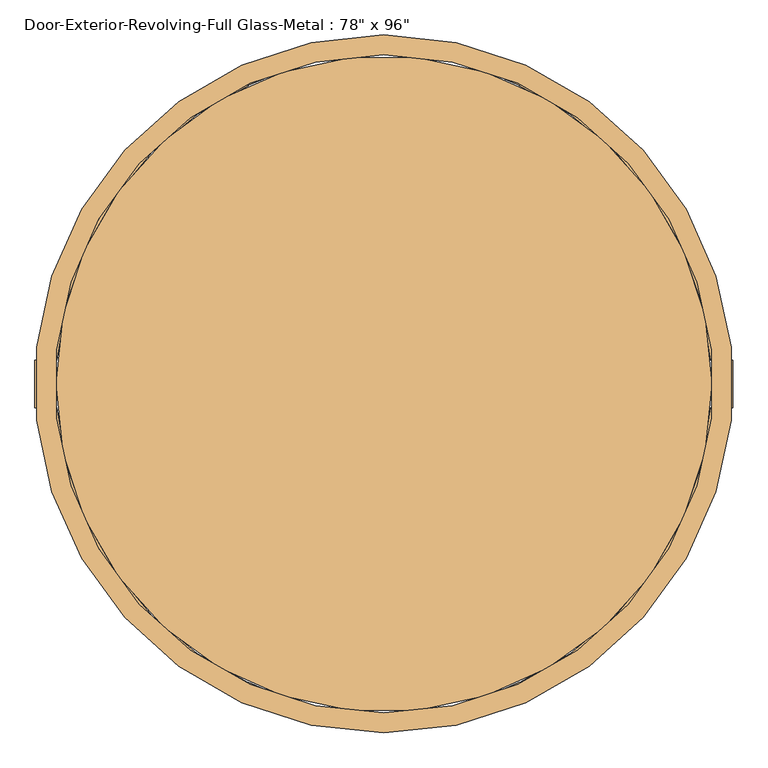
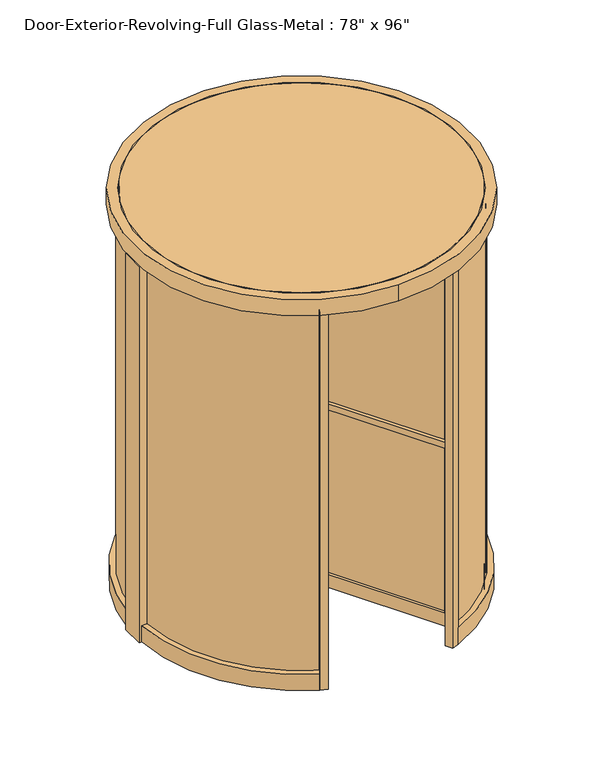
"""IFC4 building model written with IfcOpenShell, lengths in millimetres: door geometry."""

from ifc_helpers import new_model, si_unit, point, frame, frame_2d, origin, origin_with_axes, origin_2d, place, context, project, spatial, polyline, circle_curve, trimmed, segment, composite_curve, outline, extrude, source, transform, mapped, element, save
from ifc_brep_helpers import plane_surface, revolved_surface, advanced_brep


def door_43fbdff2(model_context):
    return source(origin(), model_context, "Body", "SolidModel", [
        advanced_brep(
        [(443.8772161, -806.9178905, 25.4), (443.8772161, -806.9178905, 2320.925), (26.9196881, -84.7262674, 2320.925), (26.9196881, -84.7262674, 25.4), (29.5397161, -89.2642891, 2254.25), (410.5397161, -749.1756467, 2254.25), (410.5397161, -749.1756467, 106.3625), (29.5397161, -89.2642891, 106.3625), (476.8727839, -787.8678905, 2320.925), (476.8727839, -787.8678905, 25.4), (59.9152559, -65.6762674, 25.4), (59.9152559, -65.6762674, 2320.925), (62.5352839, -70.2142891, 2254.25), (62.5352839, -70.2142891, 106.3625), (443.5352839, -730.1256467, 106.3625), (443.5352839, -730.1256467, 2254.25), (44.45, -76.9896584, 2320.925), (44.45, -76.9896584, 25.4)],
        [
            (0, 1),
            (1, 2),
            (2, 3),
            (3, 0),
            (4, 5),
            (5, 6),
            (6, 7),
            (7, 4),
            (8, 9),
            (9, 10),
            (10, 11),
            (11, 8),
            (12, 13),
            (13, 14),
            (14, 15),
            (15, 12),
            (1, 8),
            (11, 16, circle_curve(frame((0.0, 0.0, 2320.925), z_axis=(0.0, 0.0, -1.0), x_axis=(0.4999999999999996, -0.8660254037844389, 0.0)), 88.9)),
            (16, 2, circle_curve(frame((0.0, 0.0, 2320.925), z_axis=(0.0, 0.0, -1.0), x_axis=(0.4999999999999996, -0.8660254037844389, 0.0)), 88.9)),
            (0, 9),
            (3, 17, circle_curve(frame((0.0, 0.0, 25.4), z_axis=(0.0, 0.0, 1.0), x_axis=(0.4999999999999996, -0.8660254037844389, 0.0)), 88.9)),
            (17, 10, circle_curve(frame((0.0, 0.0, 25.4), z_axis=(0.0, 0.0, 1.0), x_axis=(0.4999999999999996, -0.8660254037844389, 0.0)), 88.9)),
            (7, 13),
            (12, 4),
            (6, 14),
            (5, 15),
            (16, 17),
        ],
        [
            plane_surface(frame((-3.7977839, -31.5220453, 2320.925), z_axis=(-0.8660254037844389, -0.4999999999999996, 0.0), x_axis=(0.0, 0.0, -1.0))),
            plane_surface(frame((29.1977839, -12.4720453, 2320.925), z_axis=(0.8660254037844389, 0.4999999999999996, 0.0), x_axis=(0.0, 0.0, 1.0))),
            plane_surface(frame((443.8772161, -806.9178905, 2320.925), z_axis=(0.0, 0.0, 1.0), x_axis=(0.8660254037844384, 0.5000000000000004, 0.0))),
            plane_surface(frame((443.8772161, -806.9178905, 25.4), z_axis=(0.5000000000000004, -0.8660254037844384, 0.0), x_axis=(0.8660254037844384, 0.5000000000000004, 0.0))),
            plane_surface(frame((-3.7977839, -31.5220453, 25.4), z_axis=(0.0, 0.0, -1.0), x_axis=(0.8660254037844389, 0.49999999999999956, 0.0))),
            plane_surface(frame((29.5397161, -89.2642891, 106.3625), z_axis=(0.4999999999999998, -0.8660254037844388, 0.0), x_axis=(0.8660254037844388, 0.4999999999999998, 0.0))),
            plane_surface(frame((410.5397161, -749.1756467, 106.3625), z_axis=(0.0, 0.0, 1.0), x_axis=(0.8660254037844404, 0.49999999999999706, 0.0))),
            plane_surface(frame((410.5397161, -749.1756467, 2254.25), z_axis=(-0.49999999999999706, 0.8660254037844404, 0.0), x_axis=(0.8660254037844404, 0.49999999999999706, 0.0))),
            plane_surface(frame((29.5397161, -89.2642891, 2254.25), z_axis=(0.0, 0.0, -1.0), x_axis=(0.8660254037844389, 0.49999999999999967, 0.0))),
            revolved_surface(polyline([(44.44999999999997, -76.98965839643662, 2320.925), (44.44999999999997, -76.98965839643662, 25.399999999999977)]), (0.0, 0.0, -344.4385455), (0.0, 0.0, 1.0)),
        ],
        [
            (0, [[1, 2, 3, 4], [5, 6, 7, 8]]),
            (1, [[9, 10, 11, 12], [13, 14, 15, 16]]),
            (2, [[17, -12, 18, 19, -2]]),
            (3, [[-1, 20, -9, -17]]),
            (4, [[-20, -4, 21, 22, -10]]),
            (5, [[-8, 23, -13, 24]]),
            (6, [[-7, 25, -14, -23]]),
            (7, [[-6, 26, -15, -25]]),
            (8, [[-5, -24, -16, -26]]),
            (9, [[27, -21, -3, -19]]),
            (9, [[-27, -18, -11, -22]]),
        ],
    ),
        advanced_brep(
        [(-920.75, -19.05, 2320.925), (-920.75, -19.05, 25.4), (-86.834944, -19.05, 25.4), (-86.834944, -19.05, 2320.925), (-92.075, -19.05, 2254.25), (-92.075, -19.05, 106.3625), (-854.075, -19.05, 106.3625), (-854.075, -19.05, 2254.25), (-920.75, 19.05, 25.4), (-920.75, 19.05, 2320.925), (-86.834944, 19.05, 2320.925), (-86.834944, 19.05, 25.4), (-92.075, 19.05, 2254.25), (-854.075, 19.05, 2254.25), (-854.075, 19.05, 106.3625), (-92.075, 19.05, 106.3625)],
        [
            (0, 1),
            (1, 2),
            (2, 3),
            (3, 0),
            (4, 5),
            (5, 6),
            (6, 7),
            (7, 4),
            (8, 9),
            (9, 10),
            (10, 11),
            (11, 8),
            (12, 13),
            (13, 14),
            (14, 15),
            (15, 12),
            (9, 0),
            (3, 10, circle_curve(frame((0.0, 0.0, 2320.925), z_axis=(0.0, 0.0, -1.0), x_axis=(0.4999999999999996, -0.8660254037844389, 0.0)), 88.9)),
            (8, 1),
            (11, 2, circle_curve(frame((0.0, 0.0, 25.4), z_axis=(0.0, 0.0, 1.0), x_axis=(0.4999999999999996, -0.8660254037844389, 0.0)), 88.9)),
            (4, 12),
            (15, 5),
            (14, 6),
            (13, 7),
        ],
        [
            plane_surface(frame((-920.75, -19.05, 2320.925), z_axis=(0.0, -1.0, 0.0), x_axis=(-1.0, 0.0, 0.0))),
            plane_surface(frame((-920.75, 19.05, 2320.925), z_axis=(0.0, 1.0, 0.0), x_axis=(1.0, 0.0, 0.0))),
            plane_surface(frame((-25.4, -19.05, 2320.925), z_axis=(0.0, 0.0, 1.0), x_axis=(0.0, 1.0, 0.0))),
            plane_surface(frame((-920.75, -19.05, 2320.925), z_axis=(-1.0, 0.0, 0.0), x_axis=(0.0, 1.0, 0.0))),
            plane_surface(frame((-920.75, -19.05, 25.4), z_axis=(0.0, 0.0, -1.0), x_axis=(0.0, 1.0, 0.0))),
            plane_surface(frame((-92.075, -19.05, 2254.25), z_axis=(-1.0, 0.0, 0.0), x_axis=(0.0, 1.0, 0.0))),
            plane_surface(frame((-92.075, -19.05, 106.3625), z_axis=(0.0, 0.0, 1.0), x_axis=(0.0, 1.0, 0.0))),
            plane_surface(frame((-854.075, -19.05, 106.3625), z_axis=(1.0, 0.0, 0.0), x_axis=(0.0, 1.0, 0.0))),
            plane_surface(frame((-854.075, -19.05, 2254.25), z_axis=(0.0, 0.0, -1.0), x_axis=(0.0, 1.0, 0.0))),
            revolved_surface(polyline([(44.44999999999997, -76.98965839643662, 2320.925), (44.44999999999997, -76.98965839643662, 25.399999999999977)]), (0.0, 0.0, -344.4385455), (0.0, 0.0, 1.0)),
        ],
        [
            (0, [[1, 2, 3, 4], [5, 6, 7, 8]]),
            (1, [[9, 10, 11, 12], [13, 14, 15, 16]]),
            (2, [[17, -4, 18, -10]]),
            (3, [[-1, -17, -9, 19]]),
            (4, [[-19, -12, 20, -2]]),
            (5, [[-5, 21, -16, 22]]),
            (6, [[-6, -22, -15, 23]]),
            (7, [[-7, -23, -14, 24]]),
            (8, [[-8, -24, -13, -21]]),
            (9, [[-3, -20, -11, -18]]),
        ],
    ),
        advanced_brep(
        [(476.8727839, 787.8678905, 25.4), (476.8727839, 787.8678905, 2320.925), (59.9152559, 65.6762674, 2320.925), (59.9152559, 65.6762674, 25.4), (62.5352839, 70.2142891, 2254.25), (443.5352839, 730.1256467, 2254.25), (443.5352839, 730.1256467, 106.3625), (62.5352839, 70.2142891, 106.3625), (443.8772161, 806.9178905, 2320.925), (443.8772161, 806.9178905, 25.4), (26.9196881, 84.7262674, 25.4), (26.9196881, 84.7262674, 2320.925), (29.5397161, 89.2642891, 2254.25), (29.5397161, 89.2642891, 106.3625), (410.5397161, 749.1756467, 106.3625), (410.5397161, 749.1756467, 2254.25)],
        [
            (0, 1),
            (1, 2),
            (2, 3),
            (3, 0),
            (4, 5),
            (5, 6),
            (6, 7),
            (7, 4),
            (8, 9),
            (9, 10),
            (10, 11),
            (11, 8),
            (12, 13),
            (13, 14),
            (14, 15),
            (15, 12),
            (1, 8),
            (11, 2, circle_curve(frame((0.0, 0.0, 2320.925), z_axis=(0.0, 0.0, -1.0), x_axis=(0.4999999999999996, -0.8660254037844389, 0.0)), 88.9)),
            (0, 9),
            (3, 10, circle_curve(frame((0.0, 0.0, 25.4), z_axis=(0.0, 0.0, 1.0), x_axis=(0.4999999999999996, -0.8660254037844389, 0.0)), 88.9)),
            (7, 13),
            (12, 4),
            (6, 14),
            (5, 15),
        ],
        [
            plane_surface(frame((29.1977839, 12.4720453, 2320.925), z_axis=(0.866025403784439, -0.4999999999999995, 0.0), x_axis=(0.0, 0.0, -1.0))),
            plane_surface(frame((-3.7977839, 31.5220453, 2320.925), z_axis=(-0.866025403784439, 0.4999999999999995, 0.0), x_axis=(0.0, 0.0, 1.0))),
            plane_surface(frame((476.8727839, 787.8678905, 2320.925), z_axis=(0.0, 0.0, 1.0), x_axis=(-0.8660254037844384, 0.5000000000000004, 0.0))),
            plane_surface(frame((476.8727839, 787.8678905, 25.4), z_axis=(0.5000000000000004, 0.8660254037844384, 0.0), x_axis=(-0.8660254037844384, 0.5000000000000004, 0.0))),
            plane_surface(frame((29.1977839, 12.4720453, 25.4), z_axis=(0.0, 0.0, -1.0), x_axis=(-0.866025403784439, 0.49999999999999944, 0.0))),
            plane_surface(frame((62.5352839, 70.2142891, 106.3625), z_axis=(0.49999999999999956, 0.8660254037844389, 0.0), x_axis=(-0.8660254037844389, 0.49999999999999956, 0.0))),
            plane_surface(frame((443.5352839, 730.1256467, 106.3625), z_axis=(0.0, 0.0, 1.0), x_axis=(-0.8660254037844384, 0.5000000000000004, 0.0))),
            plane_surface(frame((443.5352839, 730.1256467, 2254.25), z_axis=(-0.5000000000000004, -0.8660254037844384, 0.0), x_axis=(-0.8660254037844384, 0.5000000000000004, 0.0))),
            plane_surface(frame((62.5352839, 70.2142891, 2254.25), z_axis=(0.0, 0.0, -1.0), x_axis=(-0.866025403784439, 0.49999999999999944, 0.0))),
            revolved_surface(polyline([(44.44999999999997, -76.98965839643662, 2320.925), (44.44999999999997, -76.98965839643662, 25.399999999999977)]), (0.0, 0.0, -344.4385455), (0.0, 0.0, 1.0)),
        ],
        [
            (0, [[1, 2, 3, 4], [5, 6, 7, 8]]),
            (1, [[9, 10, 11, 12], [13, 14, 15, 16]]),
            (2, [[17, -12, 18, -2]]),
            (3, [[-1, 19, -9, -17]]),
            (4, [[-19, -4, 20, -10]]),
            (5, [[-8, 21, -13, 22]]),
            (6, [[-7, 23, -14, -21]]),
            (7, [[-6, 24, -15, -23]]),
            (8, [[-5, -22, -16, -24]]),
            (9, [[-3, -18, -11, -20]]),
        ],
    ),
        extrude(outline(composite_curve([segment(polyline([(-387.1921907, 852.8473475), (-409.5275667, 895.485273)]), True, "CONTINUOUS"), segment(trimmed(circle_curve(origin_2d(), 984.6860931), [point((-409.5275667, 895.485273))], [point((-367.0078601, 913.7351545))], False, "CARTESIAN"), True, "CONTINUOUS"), segment(polyline([(-367.0078601, 913.7351545), (-344.6795251, 870.8974771)]), True, "CONTINUOUS"), segment(trimmed(circle_curve(origin_2d(), 936.625), [point((-344.6795251, 870.8974771))], [point((-387.1921907, 852.8473475))], True, "CARTESIAN"), True, "CONTINUOUS")], self_intersect=False)), origin_with_axes(), (0.0, 0.0, 1.0), 2346.325),
        extrude(outline(composite_curve([segment(polyline([(409.6334006, 895.6873084), (387.1921907, 852.8473475)]), True, "CONTINUOUS"), segment(trimmed(circle_curve(origin_2d(), 936.625), [point((387.1921907, 852.8473475))], [point((344.6795251, 870.8974771))], True, "CARTESIAN"), True, "CONTINUOUS"), segment(polyline([(344.6795251, 870.8974771), (367.1136707, 913.9380888)]), True, "CONTINUOUS"), segment(trimmed(circle_curve(origin_2d(), 984.9138426), [point((367.1136707, 913.9380888))], [point((409.6334006, 895.6873084))], False, "CARTESIAN"), True, "CONTINUOUS")], self_intersect=False)), origin_with_axes(), (0.0, 0.0, 1.0), 2346.325),
        extrude(outline(composite_curve([segment(trimmed(circle_curve(origin_2d(), 936.625), [point((-387.1921907, -852.8473475))], [point((-344.6795251, -870.8974771))], True, "CARTESIAN"), True, "CONTINUOUS"), segment(polyline([(-344.6795251, -870.8974771), (-367.0078601, -909.3369039)]), True, "CONTINUOUS"), segment(trimmed(circle_curve(frame_2d((0.0, 289.4362299)), 1253.6952564), [point((-367.0078601, -909.3369039))], [point((-409.5275667, -895.485273))], False, "CARTESIAN"), True, "CONTINUOUS"), segment(polyline([(-409.5275667, -895.485273), (-387.1921907, -852.8473475)]), True, "CONTINUOUS")], self_intersect=False)), origin_with_axes(), (0.0, 0.0, 1.0), 2346.325),
        extrude(outline(composite_curve([segment(trimmed(circle_curve(frame_2d((0.0, 289.4364252)), 1253.695441), [point((409.5275667, -895.485273))], [point((367.0078689, -909.336899))], False, "CARTESIAN"), True, "CONTINUOUS"), segment(polyline([(367.0078689, -909.336899), (344.6795251, -870.8974771)]), True, "CONTINUOUS"), segment(trimmed(circle_curve(origin_2d(), 936.625), [point((344.6795251, -870.8974771))], [point((387.1921907, -852.8473475))], True, "CARTESIAN"), True, "CONTINUOUS"), segment(polyline([(387.1921907, -852.8473475), (409.5275667, -895.485273)]), True, "CONTINUOUS")], self_intersect=False)), origin_with_axes(), (0.0, 0.0, 1.0), 2346.325),
        extrude(outline(composite_curve([segment(polyline([(-942.1498205, 67.46875), (-948.5102344, 67.46875)]), True, "CONTINUOUS"), segment(trimmed(circle_curve(origin_2d(), 950.9067762), [point((-948.5102344, 67.46875))], [point((-394.3714922, 865.2715314))], False, "CARTESIAN"), True, "CONTINUOUS"), segment(polyline([(-394.3714922, 865.2715314), (-391.1807004, 859.7534391)]), True, "CONTINUOUS"), segment(trimmed(circle_curve(origin_2d(), 944.5625), [point((-391.1807004, 859.7534391))], [point((-942.1498205, 67.46875))], True, "CARTESIAN"), True, "CONTINUOUS")], self_intersect=False)), frame((0.0, 0.0, 101.6), z_axis=(0.0, 0.0, 1.0), x_axis=(1.0, 0.0, 0.0)), (0.0, 0.0, 1.0), 2244.725),
        extrude(outline(composite_curve([segment(trimmed(circle_curve(origin_2d(), 944.5625), [point((942.1498205, 67.46875))], [point((391.1807004, 859.7534391))], True, "CARTESIAN"), True, "CONTINUOUS"), segment(polyline([(391.1807004, 859.7534391), (394.3714922, 865.2715314)]), True, "CONTINUOUS"), segment(trimmed(circle_curve(origin_2d(), 950.9067762), [point((394.3714922, 865.2715314))], [point((948.5102344, 67.46875))], False, "CARTESIAN"), True, "CONTINUOUS"), segment(polyline([(948.5102344, 67.46875), (942.1498205, 67.46875)]), True, "CONTINUOUS")], self_intersect=False)), frame((0.0, 0.0, 101.6), z_axis=(0.0, 0.0, 1.0), x_axis=(1.0, 0.0, 0.0)), (0.0, 0.0, 1.0), 2244.725),
        extrude(outline(composite_curve([segment(trimmed(circle_curve(origin_2d(), 944.5625), [point((-942.1498205, -67.46875))], [point((-391.1807004, -859.7534391))], True, "CARTESIAN"), True, "CONTINUOUS"), segment(polyline([(-391.1807004, -859.7534391), (-394.3714922, -865.2715314)]), True, "CONTINUOUS"), segment(trimmed(circle_curve(origin_2d(), 950.9067762), [point((-394.3714922, -865.2715314))], [point((-948.5102344, -67.46875))], False, "CARTESIAN"), True, "CONTINUOUS"), segment(polyline([(-948.5102344, -67.46875), (-942.1498205, -67.46875)]), True, "CONTINUOUS")], self_intersect=False)), frame((0.0, 0.0, 101.6), z_axis=(0.0, 0.0, 1.0), x_axis=(1.0, 0.0, 0.0)), (0.0, 0.0, 1.0), 2244.725),
        extrude(outline(composite_curve([segment(polyline([(942.1498205, -67.46875), (948.5102344, -67.46875)]), True, "CONTINUOUS"), segment(trimmed(circle_curve(origin_2d(), 950.9067762), [point((948.5102344, -67.46875))], [point((394.3714922, -865.2715314))], False, "CARTESIAN"), True, "CONTINUOUS"), segment(polyline([(394.3714922, -865.2715314), (391.1807004, -859.7534391)]), True, "CONTINUOUS"), segment(trimmed(circle_curve(origin_2d(), 944.5625), [point((391.1807004, -859.7534391))], [point((942.1498205, -67.46875))], True, "CARTESIAN"), True, "CONTINUOUS")], self_intersect=False)), frame((0.0, 0.0, 101.6), z_axis=(0.0, 0.0, 1.0), x_axis=(1.0, 0.0, 0.0)), (0.0, 0.0, 1.0), 2244.725),
        extrude(outline(composite_curve([segment(trimmed(circle_curve(origin_2d(), 996.95), [point((0.0, -996.95))], [point((0.0, 996.95))], False, "CARTESIAN"), True, "CONTINUOUS"), segment(trimmed(circle_curve(origin_2d(), 996.95), [point((0.0, 996.95))], [point((0.0, -996.95))], False, "CARTESIAN"), True, "CONTINUOUS")], self_intersect=False), holes=[composite_curve([segment(trimmed(circle_curve(origin_2d(), 939.8), [point((0.0, 939.8))], [point((0.0, -939.8))], True, "CARTESIAN"), True, "CONTINUOUS"), segment(trimmed(circle_curve(origin_2d(), 939.8), [point((0.0, -939.8))], [point((0.0, 939.8))], True, "CARTESIAN"), True, "CONTINUOUS")], self_intersect=False)]), frame((0.0, 0.0, 2346.325), z_axis=(0.0, 0.0, 1.0), x_axis=(1.0, 0.0, 0.0)), (0.0, 0.0, 1.0), 101.6),
        extrude(outline(composite_curve([segment(trimmed(circle_curve(origin_2d(), 936.625), [point((-936.625, 0.0))], [point((936.625, 0.0))], False, "CARTESIAN"), True, "CONTINUOUS"), segment(trimmed(circle_curve(origin_2d(), 936.625), [point((936.625, 0.0))], [point((-936.625, 0.0))], False, "CARTESIAN"), True, "CONTINUOUS")], self_intersect=False)), frame((0.0, 0.0, 2346.325), z_axis=(0.0, 0.0, 1.0), x_axis=(1.0, 0.0, 0.0)), (0.0, 0.0, 1.0), 101.6),
        extrude(outline(composite_curve([segment(trimmed(circle_curve(origin_2d(), 88.9), [point((-88.9, 0.0))], [point((88.9, 0.0))], False, "CARTESIAN"), True, "CONTINUOUS"), segment(trimmed(circle_curve(origin_2d(), 88.9), [point((88.9, 0.0))], [point((-88.9, 0.0))], False, "CARTESIAN"), True, "CONTINUOUS")], self_intersect=False)), origin_with_axes(), (0.0, 0.0, 1.0), 2346.325),
        extrude(outline(composite_curve([segment(polyline([(-387.1921907, -852.8473475), (-409.5275667, -895.485273)]), True, "CONTINUOUS"), segment(trimmed(circle_curve(origin_2d(), 984.6860931), [point((-409.5275667, -895.485273))], [point((-982.371961, -67.46875))], False, "CARTESIAN"), True, "CONTINUOUS"), segment(polyline([(-982.371961, -67.46875), (-934.191821, -67.46875)]), True, "CONTINUOUS"), segment(trimmed(circle_curve(origin_2d(), 936.625), [point((-934.191821, -67.46875))], [point((-387.1921907, -852.8473475))], True, "CARTESIAN"), True, "CONTINUOUS")], self_intersect=False)), origin_with_axes(), (0.0, 0.0, 1.0), 101.6),
        extrude(outline(composite_curve([segment(polyline([(409.5275667, -895.485273), (387.1921907, -852.8473475)]), True, "CONTINUOUS"), segment(trimmed(circle_curve(origin_2d(), 936.625), [point((387.1921907, -852.8473475))], [point((934.191821, -67.46875))], True, "CARTESIAN"), True, "CONTINUOUS"), segment(polyline([(934.191821, -67.46875), (982.371961, -67.46875)]), True, "CONTINUOUS"), segment(trimmed(circle_curve(origin_2d(), 984.6860931), [point((982.371961, -67.46875))], [point((409.5275667, -895.485273))], False, "CARTESIAN"), True, "CONTINUOUS")], self_intersect=False)), origin_with_axes(), (0.0, 0.0, 1.0), 101.6),
        extrude(outline(composite_curve([segment(polyline([(982.371961, 67.46875), (934.191821, 67.46875)]), True, "CONTINUOUS"), segment(trimmed(circle_curve(origin_2d(), 936.625), [point((934.191821, 67.46875))], [point((387.1921907, 852.8473475))], True, "CARTESIAN"), True, "CONTINUOUS"), segment(polyline([(387.1921907, 852.8473475), (409.5275667, 895.485273)]), True, "CONTINUOUS"), segment(trimmed(circle_curve(origin_2d(), 984.6860931), [point((409.5275667, 895.485273))], [point((982.371961, 67.46875))], False, "CARTESIAN"), True, "CONTINUOUS")], self_intersect=False)), origin_with_axes(), (0.0, 0.0, 1.0), 101.6),
        extrude(outline(composite_curve([segment(polyline([(-409.5275667, 895.485273), (-387.1921907, 852.8473475)]), True, "CONTINUOUS"), segment(trimmed(circle_curve(origin_2d(), 936.625), [point((-387.1921907, 852.8473475))], [point((-934.191821, 67.46875))], True, "CARTESIAN"), True, "CONTINUOUS"), segment(polyline([(-934.191821, 67.46875), (-982.371961, 67.46875)]), True, "CONTINUOUS"), segment(trimmed(circle_curve(origin_2d(), 984.6860931), [point((-982.371961, 67.46875))], [point((-409.5275667, 895.485273))], False, "CARTESIAN"), True, "CONTINUOUS")], self_intersect=False)), origin_with_axes(), (0.0, 0.0, 1.0), 101.6),
        extrude(outline(polyline([(-939.8, 67.46875), (-939.8, -67.46875), (-996.95, -67.46875), (-996.95, 67.46875), (-939.8, 67.46875)])), origin_with_axes(), (0.0, 0.0, 1.0), 2346.325),
        extrude(outline(polyline([(996.95, 67.46875), (996.95, -67.46875), (939.8, -67.46875), (939.8, 67.46875), (996.95, 67.46875)])), origin_with_axes(), (0.0, 0.0, 1.0), 2346.325),
        extrude(outline(polyline([(424.2878693, -741.2381467), (43.2878693, -81.3267891), (48.7871307, -78.1517891), (429.7871307, -738.0631467), (424.2878693, -741.2381467)])), frame((0.0, 0.0, 106.3625), z_axis=(0.0, 0.0, 1.0), x_axis=(1.0, 0.0, 0.0)), (0.0, 0.0, 1.0), 2147.8875),
        extrude(outline(polyline([(429.7871307, 738.0631467), (48.7871307, 78.1517891), (43.2878693, 81.3267891), (424.2878693, 741.2381467), (429.7871307, 738.0631467)])), frame((0.0, 0.0, 106.3625), z_axis=(0.0, 0.0, 1.0), x_axis=(1.0, 0.0, 0.0)), (0.0, 0.0, 1.0), 2147.8875),
        extrude(outline(polyline([(-92.075, -3.175), (-854.075, -3.175), (-854.075, 3.175), (-92.075, 3.175), (-92.075, -3.175)])), frame((0.0, 0.0, 106.3625), z_axis=(0.0, 0.0, 1.0), x_axis=(1.0, 0.0, 0.0)), (0.0, 0.0, 1.0), 2147.8875),
        extrude(outline(composite_curve([segment(polyline([(-920.75, 19.05), (-920.75, 38.1), (-80.3218526, 38.1)]), True, "CONTINUOUS"), segment(trimmed(circle_curve(origin_2d(), 88.9), [point((-80.3218526, 38.1))], [point((-86.834944, 19.05))], True, "CARTESIAN"), True, "CONTINUOUS"), segment(polyline([(-86.834944, 19.05), (-920.75, 19.05)]), True, "CONTINUOUS")], self_intersect=False)), frame((0.0, 0.0, 1149.35), z_axis=(0.0, 0.0, 1.0), x_axis=(1.0, 0.0, 0.0)), (0.0, 0.0, 1.0), 38.1),
        extrude(outline(composite_curve([segment(polyline([(443.8772161, -806.9178905), (427.3794321, -816.4428905), (7.1653584, -88.6107648)]), True, "CONTINUOUS"), segment(trimmed(circle_curve(origin_2d(), 88.9), [point((7.1653584, -88.6107648))], [point((26.9196881, -84.7262674))], True, "CARTESIAN"), True, "CONTINUOUS"), segment(polyline([(26.9196881, -84.7262674), (443.8772161, -806.9178905)]), True, "CONTINUOUS")], self_intersect=False)), frame((0.0, 0.0, 1149.35), z_axis=(0.0, 0.0, 1.0), x_axis=(1.0, 0.0, 0.0)), (0.0, 0.0, 1.0), 38.1),
        extrude(outline(composite_curve([segment(polyline([(476.8727839, 787.8678905), (493.3705679, 778.3428905), (73.1564942, 50.5107648)]), True, "CONTINUOUS"), segment(trimmed(circle_curve(origin_2d(), 88.9), [point((73.1564942, 50.5107648))], [point((59.9152559, 65.6762674))], True, "CARTESIAN"), True, "CONTINUOUS"), segment(polyline([(59.9152559, 65.6762674), (476.8727839, 787.8678905)]), True, "CONTINUOUS")], self_intersect=False)), frame((0.0, 0.0, 1149.35), z_axis=(0.0, 0.0, 1.0), x_axis=(1.0, 0.0, 0.0)), (0.0, 0.0, 1.0), 38.1),
    ])


if __name__ == "__main__":
    model = new_model("IFC4")
    model_context = context("Model", 3, world=origin())
    ifc_project = project(units=[si_unit("LENGTHUNIT", "METRE", prefix="MILLI")], contexts=[model_context])
    site = spatial("IfcSite", under=ifc_project)
    building = spatial("IfcBuilding", under=site)
    placement = place(None, origin())
    door_shape = door_43fbdff2(model_context)
    element("IfcDoor", 1, ObjectType="Door-Exterior-Revolving-Full Glass-Metal : 78\" x 96\"", at=placement, inside=building, context=model_context, shape_type="MappedRepresentation", body=[
        mapped(door_shape, transform((0.0, 0.0, 0.0), x_axis=(1.0, 0.0, 0.0), y_axis=(0.0, 1.0, 0.0), z_axis=(0.0, 0.0, 1.0))),
    ])
    save(model, "model.ifc")
